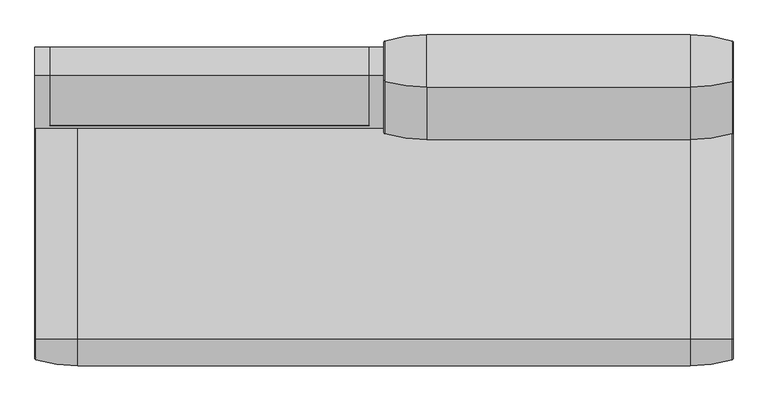
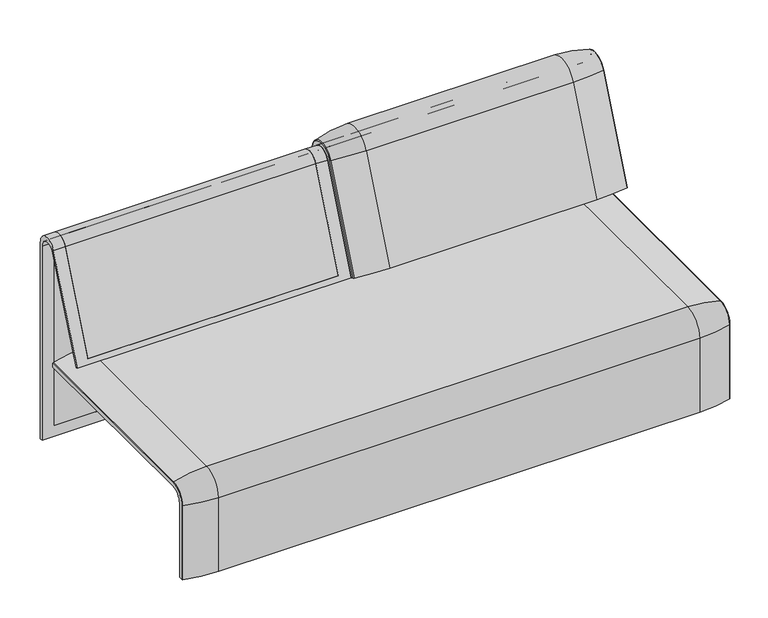
"""IFC4 building model written with IfcOpenShell, lengths in millimetres: furniture geometry."""

from ifc_helpers import new_model, si_unit, point, frame, frame_2d, origin, place, context, project, spatial, polyline, circle_curve, ellipse_curve, trimmed, segment, composite_curve, outline, extrude, source, transform, mapped, element, save
from ifc_brep_helpers import plane_surface, cylinder_surface, revolved_surface, advanced_brep


def furniture_ee9f15a7(model_context):
    return source(origin(), model_context, "Body", "SolidModel", [
        advanced_brep(
        [(-407.9906244, -368.7793679, 100.5089435), (-407.9906244, -357.5, 100.5089435), (1223.9718733, -357.5, 100.5089435), (1223.9718733, -368.7793679, 100.5089435), (1221.8332448, -371.6530483, 100.5089435), (1123.9718733, -386.0043559, 100.5089435), (-307.9906244, -386.0043559, 100.5089435), (-405.8519959, -371.6530483, 100.5089435), (-407.9906244, 295.0, 377.4518019), (-405.8519959, 295.0, 380.3254823), (-307.9906244, 295.0, 394.67679), (1123.9718733, 295.0, 394.67679), (1221.8332448, 295.0, 380.3254823), (1223.9718733, 295.0, 377.4518019), (1223.9718733, 295.0, 366.172434), (-407.9906244, 295.0, 366.172434), (-407.9906244, -368.7793679, 333.0583003), (-407.9906244, -324.3858663, 377.4518019), (-407.9906244, -324.3858663, 366.172434), (-407.9906244, -357.5, 333.0583003), (1223.9718733, -357.5, 333.0583003), (1123.9718733, -386.0043559, 333.0583003), (-307.9906244, -386.0043559, 333.0583003), (-405.8519959, -371.6530483, 333.0583003), (1223.9718733, -324.3858663, 366.172434), (-307.9906244, -324.3858663, 394.67679), (1123.9718733, -324.3858663, 394.67679), (-405.8519959, -324.3858663, 380.3254823), (1223.9718733, -324.3858663, 377.4518019), (1223.9718733, -368.7793679, 333.0583003), (1221.8332448, -371.6530483, 333.0583003), (1221.8332448, -324.3858663, 380.3254823)],
        [
            (0, 1),
            (1, 2),
            (2, 3),
            (3, 4, circle_curve(frame((1220.9718733, -368.7793679, 100.5089435), z_axis=(0.0, 0.0, -1.0), x_axis=(-1.0, 0.0, 0.0)), 3.0)),
            (4, 5, circle_curve(frame((1123.9718733, -45.1710226, 100.5089435), z_axis=(0.0, 0.0, -1.0), x_axis=(0.0, 1.0, 0.0)), 340.8333333)),
            (5, 6),
            (6, 7, circle_curve(frame((-307.9906244, -45.1710226, 100.5089435), z_axis=(0.0, 0.0, -1.0), x_axis=(0.0, 1.0, 0.0)), 340.8333333)),
            (7, 0, circle_curve(frame((-404.9906244, -368.7793679, 100.5089435), z_axis=(0.0, 0.0, -1.0), x_axis=(1.0, 0.0, 0.0)), 3.0)),
            (8, 9, circle_curve(frame((-404.9906244, 295.0, 377.4518019), z_axis=(0.0, 1.0, 0.0), x_axis=(1.0, 0.0, 0.0)), 3.0)),
            (9, 10, circle_curve(frame((-307.9906244, 295.0, 53.8434566), z_axis=(0.0, 1.0, 0.0), x_axis=(0.0, 0.0, -1.0)), 340.8333333)),
            (10, 11),
            (11, 12, circle_curve(frame((1123.9718733, 295.0, 53.8434566), z_axis=(0.0, 1.0, 0.0), x_axis=(0.0, 0.0, -1.0)), 340.8333333)),
            (12, 13, circle_curve(frame((1220.9718733, 295.0, 377.4518019), z_axis=(0.0, 1.0, 0.0), x_axis=(-1.0, 0.0, 0.0)), 3.0)),
            (13, 14),
            (14, 15),
            (15, 8),
            (0, 16),
            (16, 17, circle_curve(frame((-407.9906244, -324.3858663, 333.0583003), z_axis=(-1.0, 0.0, 0.0), x_axis=(0.0, -1.0, 0.0)), 44.3935016)),
            (17, 8),
            (15, 18),
            (18, 19, circle_curve(frame((-407.9906244, -324.3858663, 333.0583003), z_axis=(1.0, 0.0, 0.0), x_axis=(0.0, -1.0, 0.0)), 33.1141337)),
            (19, 1),
            (19, 20),
            (20, 2),
            (5, 21),
            (21, 22),
            (22, 6),
            (22, 23, circle_curve(frame((-307.9906244, -45.1710226, 333.0583003), z_axis=(0.0, 0.0, -1.0), x_axis=(0.0, 1.0, 0.0)), 340.8333333)),
            (23, 7),
            (23, 16, circle_curve(frame((-404.9906244, -368.7793679, 333.0583003), z_axis=(0.0, 0.0, -1.0), x_axis=(1.0, 0.0, 0.0)), 3.0)),
            (24, 20, circle_curve(frame((1223.9718733, -324.3858663, 333.0583003), z_axis=(1.0, 0.0, 0.0), x_axis=(0.0, -1.0, 0.0)), 33.1141337)),
            (18, 24),
            (25, 22, circle_curve(frame((-307.9906244, -324.3858663, 333.0583003), z_axis=(1.0, 0.0, 0.0), x_axis=(0.0, -1.0, 0.0)), 61.6184897)),
            (21, 26, circle_curve(frame((1123.9718733, -324.3858663, 333.0583003), z_axis=(-1.0, 0.0, 0.0), x_axis=(0.0, -1.0, 0.0)), 61.6184897)),
            (26, 25),
            (27, 23, circle_curve(frame((-405.8519959, -324.3858663, 333.0583003), z_axis=(1.0, 0.0, 0.0), x_axis=(0.0, -1.0, 0.0)), 47.267182)),
            (25, 27, circle_curve(frame((-307.9906244, -324.3858663, 53.8434566), z_axis=(0.0, -1.0, 0.0), x_axis=(0.0, 0.0, -1.0)), 340.8333333)),
            (27, 17, circle_curve(frame((-404.9906244, -324.3858663, 377.4518019), z_axis=(0.0, -1.0, 0.0), x_axis=(1.0, 0.0, 0.0)), 3.0)),
            (14, 24),
            (26, 11),
            (10, 25),
            (9, 27),
            (13, 28),
            (28, 29, circle_curve(frame((1223.9718733, -324.3858663, 333.0583003), z_axis=(1.0, 0.0, 0.0), x_axis=(0.0, -1.0, 0.0)), 44.3935016)),
            (29, 3),
            (29, 30, circle_curve(frame((1220.9718733, -368.7793679, 333.0583003), z_axis=(0.0, 0.0, -1.0), x_axis=(-1.0, 0.0, 0.0)), 3.0)),
            (30, 4),
            (30, 21, circle_curve(frame((1123.9718733, -45.1710226, 333.0583003), z_axis=(0.0, 0.0, -1.0), x_axis=(0.0, 1.0, 0.0)), 340.8333333)),
            (31, 30, circle_curve(frame((1221.8332448, -324.3858663, 333.0583003), z_axis=(1.0, 0.0, 0.0), x_axis=(0.0, -1.0, 0.0)), 47.267182)),
            (28, 31, circle_curve(frame((1220.9718733, -324.3858663, 377.4518019), z_axis=(0.0, -1.0, 0.0), x_axis=(-1.0, 0.0, 0.0)), 3.0)),
            (31, 26, circle_curve(frame((1123.9718733, -324.3858663, 53.8434566), z_axis=(0.0, -1.0, 0.0), x_axis=(0.0, 0.0, -1.0)), 340.8333333)),
            (12, 31),
        ],
        [
            plane_surface(frame((-407.9906244, -357.5, 100.5089435), z_axis=(0.0, 0.0, -1.0), x_axis=(1.0, 0.0, 0.0))),
            plane_surface(frame((-407.9906244, 295.0, 366.172434), z_axis=(0.0, 1.0, 0.0), x_axis=(1.0, 0.0, 0.0))),
            plane_surface(frame((-407.9906244, -368.7793679, 100.5089435), z_axis=(-1.0, 0.0, 0.0), x_axis=(0.0, 0.0, 1.0))),
            plane_surface(frame((-407.9906244, -357.5, 100.5089435), z_axis=(0.0, 1.0, 0.0), x_axis=(0.0, 0.0, 1.0))),
            plane_surface(frame((1123.9718733, -386.0043559, 100.5089435), z_axis=(0.0, -1.0, 0.0), x_axis=(0.0, 0.0, 1.0))),
            cylinder_surface(frame((-307.9906244, -45.1710226, 100.5089435), z_axis=(0.0, 0.0, -1.0), x_axis=(0.0, 1.0, 0.0)), 340.8333333),
            cylinder_surface(frame((-404.9906244, -368.7793679, 100.5089435), z_axis=(0.0, 0.0, -1.0), x_axis=(1.0, 0.0, 0.0)), 3.0),
            revolved_surface(polyline([(-407.9906244, -357.5, 333.0583003), (1223.9718733, -357.5, 333.0583003)]), (-407.9906244, -324.3858663, 333.0583003), (-1.0, 0.0, 0.0)),
            cylinder_surface(frame((-407.9906244, -324.3858663, 333.0583003), z_axis=(-1.0, 0.0, 0.0), x_axis=(0.0, -1.0, 0.0)), 61.6184897),
            revolved_surface(trimmed(ellipse_curve(frame((-307.9906244, -45.1710226, 333.0583003), z_axis=(0.0, 0.0, -1.0), x_axis=(0.0, 1.0, 0.0)), 340.8333333, 340.8333333), [point((-307.9906244, -386.0043559, 333.0583003))], [point((-405.8519959, -371.6530483, 333.0583003))], True, "CARTESIAN"), (-407.9906244, -324.3858663, 333.0583003), (-1.0, 0.0, 0.0)),
            revolved_surface(trimmed(ellipse_curve(frame((-404.9906244, -368.7793679, 333.0583003), z_axis=(0.0, 0.0, -1.0), x_axis=(1.0, 0.0, 0.0)), 3.0, 3.0), [point((-405.8519959, -371.6530483, 333.0583003))], [point((-407.9906244, -368.7793679, 333.0583003))], True, "CARTESIAN"), (-407.9906244, -324.3858663, 333.0583003), (-1.0, 0.0, 0.0)),
            plane_surface(frame((-407.9906244, -324.3858663, 366.172434), z_axis=(0.0, 0.0, -1.0), x_axis=(0.0, 1.0, 0.0))),
            plane_surface(frame((1123.9718733, -324.3858663, 394.67679), z_axis=(0.0, 0.0, 1.0), x_axis=(0.0, 1.0, 0.0))),
            cylinder_surface(frame((-307.9906244, -324.3858663, 53.8434566), z_axis=(0.0, -1.0, 0.0), x_axis=(0.0, 0.0, -1.0)), 340.8333333),
            cylinder_surface(frame((-404.9906244, -324.3858663, 377.4518019), z_axis=(0.0, -1.0, 0.0), x_axis=(1.0, 0.0, 0.0)), 3.0),
            plane_surface(frame((1223.9718733, -357.5, 100.5089435), z_axis=(1.0, 0.0, 0.0), x_axis=(0.0, 0.0, 1.0))),
            cylinder_surface(frame((1220.9718733, -368.7793679, 100.5089435), z_axis=(0.0, 0.0, -1.0), x_axis=(-1.0, 0.0, 0.0)), 3.0),
            cylinder_surface(frame((1123.9718733, -45.1710226, 100.5089435), z_axis=(0.0, 0.0, -1.0), x_axis=(0.0, 1.0, 0.0)), 340.8333333),
            revolved_surface(trimmed(ellipse_curve(frame((1220.9718733, -368.7793679, 333.0583003), z_axis=(0.0, 0.0, -1.0), x_axis=(-1.0, 0.0, 0.0)), 3.0, 3.0), [point((1223.9718733, -368.7793679, 333.0583003))], [point((1221.8332448, -371.6530483, 333.0583003))], True, "CARTESIAN"), (-407.9906244, -324.3858663, 333.0583003), (-1.0, 0.0, 0.0)),
            revolved_surface(trimmed(ellipse_curve(frame((1123.9718733, -45.1710226, 333.0583003), z_axis=(0.0, 0.0, -1.0), x_axis=(0.0, 1.0, 0.0)), 340.8333333, 340.8333333), [point((1221.8332448, -371.6530483, 333.0583003))], [point((1123.9718733, -386.0043559, 333.0583003))], True, "CARTESIAN"), (-407.9906244, -324.3858663, 333.0583003), (-1.0, 0.0, 0.0)),
            cylinder_surface(frame((1220.9718733, -324.3858663, 377.4518019), z_axis=(0.0, -1.0, 0.0), x_axis=(-1.0, 0.0, 0.0)), 3.0),
            cylinder_surface(frame((1123.9718733, -324.3858663, 53.8434566), z_axis=(0.0, -1.0, 0.0), x_axis=(0.0, 0.0, -1.0)), 340.8333333),
        ],
        [
            (0, [[1, 2, 3, 4, 5, 6, 7, 8]]),
            (1, [[9, 10, 11, 12, 13, 14, 15, 16]]),
            (2, [[-1, 17, 18, 19, -16, 20, 21, 22]]),
            (3, [[-2, -22, 23, 24]]),
            (4, [[-6, 25, 26, 27]]),
            (5, [[-7, -27, 28, 29]]),
            (6, [[-8, -29, 30, -17]]),
            (7, [[31, -23, -21, 32]]),
            (8, [[33, -26, 34, 35]]),
            (9, [[36, -28, -33, 37]]),
            (10, [[-18, -30, -36, 38]]),
            (11, [[-32, -20, -15, 39]]),
            (12, [[-35, 40, -11, 41]]),
            (13, [[-37, -41, -10, 42]]),
            (14, [[-38, -42, -9, -19]]),
            (15, [[-3, -24, -31, -39, -14, 43, 44, 45]]),
            (16, [[-4, -45, 46, 47]]),
            (17, [[-5, -47, 48, -25]]),
            (18, [[49, -46, -44, 50]]),
            (19, [[-34, -48, -49, 51]]),
            (20, [[-50, -43, -13, 52]]),
            (21, [[-51, -52, -12, -40]]),
        ],
    ),
        advanced_brep(
        [(1189.0718733, 176.0980387, 452.25948), (1189.0718733, 181.0136548, 450.2250668), (442.8906244, 181.0136548, 450.2250668), (442.8906244, 176.0980387, 452.25948), (1223.9884174, 351.0000061, 101.8476716), (1223.9884174, 351.0000061, 712.9272623), (1189.0718733, 351.0000061, 712.9272623), (1189.0718733, 351.0000061, 135.3766997), (442.8906244, 351.0000061, 135.3766997), (442.8906244, 351.0000061, 712.9272623), (408.0071685, 351.0000061, 712.9272623), (408.0071685, 351.0000061, 101.8476716), (1223.9884174, 359.7858817, 101.8476716), (1223.9884174, 359.7858817, 720.3417731), (1223.9884174, 292.4403877, 733.7122262), (1223.9884174, 170.1966807, 437.98305), (1223.9884174, 175.0204081, 435.9866665), (1223.9884174, 296.2458652, 723.9869215), (408.0071685, 296.2720241, 723.9759107), (408.0071685, 175.0204081, 435.9866665), (408.0071685, 170.1966807, 437.98305), (408.0071685, 292.4403877, 733.7122262), (408.0071685, 359.7858817, 720.3417731), (408.0071685, 359.7858817, 101.8476716), (1189.0718733, 292.4403877, 733.7122262), (442.8906244, 292.4403877, 733.7122262), (442.8906244, 296.2458652, 723.9869215), (1189.0718733, 296.2458652, 723.9869215), (442.8906244, 359.7858817, 720.3417731), (442.8906244, 359.7858817, 135.3766997), (1189.0718733, 359.7858817, 135.3766997), (1189.0718733, 359.7858817, 720.3417731)],
        [
            (0, 1),
            (1, 2),
            (2, 3),
            (3, 0),
            (4, 5),
            (5, 6),
            (6, 7),
            (7, 8),
            (8, 9),
            (9, 10),
            (10, 11),
            (11, 4),
            (4, 12),
            (12, 13),
            (13, 14, circle_curve(frame((1223.9884174, 324.7858817, 720.3417731), z_axis=(1.0, 0.0, 0.0), x_axis=(0.0, -1.0, 0.0)), 35.0)),
            (14, 15),
            (15, 16),
            (16, 17),
            (17, 5, circle_curve(frame((1223.9884174, 322.520748, 712.9272623), z_axis=(-1.0, 0.0, 0.0), x_axis=(0.0, -1.0, 0.0)), 28.479258)),
            (10, 18, circle_curve(frame((408.0071685, 322.520748, 712.9272623), z_axis=(1.0, 0.0, 0.0), x_axis=(0.0, -1.0, 0.0)), 28.479258)),
            (18, 19),
            (19, 20),
            (20, 21),
            (21, 22, circle_curve(frame((408.0071685, 324.7858817, 720.3417731), z_axis=(-1.0, 0.0, 0.0), x_axis=(0.0, -1.0, 0.0)), 35.0)),
            (22, 23),
            (23, 11),
            (14, 24),
            (24, 0),
            (3, 25),
            (25, 21),
            (20, 15),
            (19, 16),
            (18, 26),
            (26, 2),
            (1, 27),
            (27, 17),
            (23, 12),
            (22, 28),
            (28, 29),
            (29, 30),
            (30, 31),
            (31, 13),
            (31, 24, circle_curve(frame((1189.0718733, 324.7858817, 720.3417731), z_axis=(1.0, 0.0, 0.0), x_axis=(0.0, -1.0, 0.0)), 35.0)),
            (25, 28, circle_curve(frame((442.8906244, 324.7858817, 720.3417731), z_axis=(-1.0, 0.0, 0.0), x_axis=(0.0, -1.0, 0.0)), 35.0)),
            (27, 6, circle_curve(frame((1189.0718733, 322.520748, 712.9272623), z_axis=(-1.0, 0.0, 0.0), x_axis=(0.0, -1.0, 0.0)), 28.479258)),
            (9, 26, circle_curve(frame((442.8906244, 322.520748, 712.9272623), z_axis=(1.0, 0.0, 0.0), x_axis=(0.0, -1.0, 0.0)), 28.479258)),
            (30, 7),
            (8, 29),
        ],
        [
            plane_surface(frame((1189.0718733, 166.9120641, 456.0612553), z_axis=(0.0, 0.38241039441982605, 0.9239925812687422), x_axis=(-1.0, 0.0, 0.0))),
            plane_surface(frame((1223.9884174, 351.0000061, 712.9272623), z_axis=(0.0, -1.0, 0.0), x_axis=(-1.0, 0.0, 0.0))),
            plane_surface(frame((1223.9884174, 359.7858817, 101.8476716), z_axis=(1.0, 0.0, 0.0), x_axis=(0.0, 1.0, 0.0))),
            plane_surface(frame((408.0071685, 359.7858817, 101.8476716), z_axis=(-1.0, 0.0, 0.0), x_axis=(0.0, -1.0, 0.0))),
            plane_surface(frame((1223.9884174, 292.4403877, 733.7122262), z_axis=(0.0, -0.9241569717933176, 0.3820129467515535), x_axis=(-1.0, 0.0, 0.0))),
            plane_surface(frame((1223.9884174, 170.1966807, 437.98305), z_axis=(0.0, -0.38241039441983893, -0.9239925812687368), x_axis=(-1.0, 0.0, 0.0))),
            plane_surface(frame((1223.9884174, 175.0204081, 435.9866665), z_axis=(0.0, 0.921678643444566, -0.3879542218073993), x_axis=(-1.0, 0.0, 0.0))),
            plane_surface(frame((1223.9884174, 351.0000061, 101.8476716), z_axis=(0.0, 0.0, -1.0), x_axis=(-1.0, 0.0, 0.0))),
            plane_surface(frame((1223.9884174, 359.7858817, 101.8476716), z_axis=(0.0, 1.0, 0.0), x_axis=(-1.0, 0.0, 0.0))),
            cylinder_surface(frame((408.0071685, 324.7858817, 720.3417731), z_axis=(1.0, 0.0, 0.0), x_axis=(0.0, -1.0, 0.0)), 35.0),
            revolved_surface(polyline([(1189.0718733, 294.04149, 712.9272623), (1223.9884174, 294.04149, 712.9272623)]), (408.0071685, 322.520748, 712.9272623), (-1.0, 0.0, 0.0)),
            revolved_surface(polyline([(408.0071685, 294.04149, 712.9272623), (442.8906244, 294.04149, 712.9272623)]), (408.0071685, 322.520748, 712.9272623), (-1.0, 0.0, 0.0)),
            plane_surface(frame((1189.0718733, 359.7858817, 135.3766997), z_axis=(-1.0, 0.0, 0.0), x_axis=(0.0, 1.0, 0.0))),
            plane_surface(frame((442.8906244, 359.7858817, 135.3766997), z_axis=(1.0, 0.0, 0.0), x_axis=(0.0, -1.0, 0.0))),
            plane_surface(frame((1189.0718733, 344.7858817, 135.3766997), z_axis=(0.0, 0.0, 1.0), x_axis=(-1.0, 0.0, 0.0))),
        ],
        [
            (0, [[1, 2, 3, 4]]),
            (1, [[5, 6, 7, 8, 9, 10, 11, 12]]),
            (2, [[13, 14, 15, 16, 17, 18, 19, -5]]),
            (3, [[-11, 20, 21, 22, 23, 24, 25, 26]]),
            (4, [[-16, 27, 28, -4, 29, 30, -23, 31]]),
            (5, [[-17, -31, -22, 32]]),
            (6, [[-18, -32, -21, 33, 34, -2, 35, 36]]),
            (7, [[-13, -12, -26, 37]]),
            (8, [[-14, -37, -25, 38, 39, 40, 41, 42]]),
            (9, [[-15, -42, 43, -27]]),
            (9, [[-24, -30, 44, -38]]),
            (10, [[-19, -36, 45, -6]]),
            (11, [[-20, -10, 46, -33]]),
            (12, [[-1, -28, -43, -41, 47, -7, -45, -35]]),
            (13, [[48, -39, -44, -29, -3, -34, -46, -9]]),
            (14, [[-47, -40, -48, -8]]),
        ],
    ),
        advanced_brep(
        [(442.8906244, 351.0000061, 135.3766997), (442.8906244, 351.0000061, 712.9272623), (442.8906244, 296.2720241, 723.9759107), (442.8906244, 181.0136548, 450.2250668), (442.8906244, 176.0980387, 452.25948), (442.8906244, 292.4403877, 733.7122262), (442.8906244, 359.7858817, 720.3417731), (442.8906244, 359.7858817, 135.3766997), (1189.0718733, 176.0980387, 452.25948), (1189.0718733, 292.4403877, 733.7122262), (1189.0718733, 181.0136548, 450.2250668), (1189.0718733, 296.2458652, 723.9869215), (1189.0718733, 351.0000061, 135.3766997), (1189.0718733, 351.0000061, 712.9272623), (1189.0718733, 359.7858817, 135.3766997), (1189.0718733, 359.7858817, 720.3417731)],
        [
            (0, 1),
            (1, 2, circle_curve(frame((442.8906244, 322.520748, 712.9272623), z_axis=(1.0, 0.0, 0.0), x_axis=(0.0, -1.0, 0.0)), 28.479258)),
            (2, 3),
            (3, 4),
            (4, 5),
            (5, 6, circle_curve(frame((442.8906244, 324.7858817, 720.3417731), z_axis=(-1.0, 0.0, 0.0), x_axis=(0.0, -1.0, 0.0)), 35.0)),
            (6, 7),
            (7, 0),
            (8, 9),
            (9, 5),
            (4, 8),
            (10, 8),
            (3, 10),
            (11, 10),
            (2, 11),
            (12, 13),
            (13, 1),
            (0, 12),
            (12, 14),
            (14, 15),
            (15, 9, circle_curve(frame((1189.0718733, 324.7858817, 720.3417731), z_axis=(1.0, 0.0, 0.0), x_axis=(0.0, -1.0, 0.0)), 35.0)),
            (11, 13, circle_curve(frame((1189.0718733, 322.520748, 712.9272623), z_axis=(-1.0, 0.0, 0.0), x_axis=(0.0, -1.0, 0.0)), 28.479258)),
            (7, 14),
            (6, 15),
        ],
        [
            plane_surface(frame((442.8906244, 359.7858817, 135.3766997), z_axis=(-1.0, 0.0, 0.0), x_axis=(0.0, -1.0, 0.0))),
            plane_surface(frame((1189.0718733, 292.4403877, 733.7122262), z_axis=(0.0, -0.9241569717933176, 0.3820129467515535), x_axis=(-1.0, 0.0, 0.0))),
            plane_surface(frame((1189.0718733, 176.0980387, 452.25948), z_axis=(0.0, -0.38241039441982716, -0.9239925812687417), x_axis=(-1.0, 0.0, 0.0))),
            plane_surface(frame((1189.0718733, 181.0136548, 450.2250668), z_axis=(0.0, 0.921678643444566, -0.3879542218073993), x_axis=(-1.0, 0.0, 0.0))),
            plane_surface(frame((1189.0718733, 351.0000061, 712.9272623), z_axis=(0.0, -1.0, 0.0), x_axis=(-1.0, 0.0, 0.0))),
            plane_surface(frame((1189.0718733, 359.7858817, 135.3766997), z_axis=(1.0, 0.0, 0.0), x_axis=(0.0, 1.0, 0.0))),
            plane_surface(frame((1189.0718733, 351.0000061, 135.3766997), z_axis=(0.0, 0.0, -1.0), x_axis=(-1.0, 0.0, 0.0))),
            plane_surface(frame((1189.0718733, 359.7858817, 135.3766997), z_axis=(0.0, 1.0, 0.0), x_axis=(-1.0, 0.0, 0.0))),
            cylinder_surface(frame((442.8906244, 324.7858817, 720.3417731), z_axis=(1.0, 0.0, 0.0), x_axis=(0.0, -1.0, 0.0)), 35.0),
            revolved_surface(polyline([(442.8906244, 294.04149, 712.9272623), (1189.0718733, 294.04149, 712.9272623)]), (442.8906244, 322.520748, 712.9272623), (-1.0, 0.0, 0.0)),
        ],
        [
            (0, [[1, 2, 3, 4, 5, 6, 7, 8]]),
            (1, [[9, 10, -5, 11]]),
            (2, [[12, -11, -4, 13]]),
            (3, [[14, -13, -3, 15]]),
            (4, [[16, 17, -1, 18]]),
            (5, [[19, 20, 21, -9, -12, -14, 22, -16]]),
            (6, [[-19, -18, -8, 23]]),
            (7, [[-20, -23, -7, 24]]),
            (8, [[-21, -24, -6, -10]]),
            (9, [[-22, -15, -2, -17]]),
        ],
    ),
        extrude(outline(composite_curve([segment(trimmed(circle_curve(frame_2d((305.0000061, 379.9223263)), 30.0), [point((305.0000061, 349.9223263))], [point((335.0000061, 379.9223263))], True, "CARTESIAN"), True, "CONTINUOUS"), segment(polyline([(335.0000061, 379.9223263), (335.0000061, 515.0657595)]), True, "CONTINUOUS"), segment(trimmed(circle_curve(frame_2d((305.0000061, 515.0657595)), 30.0), [point((335.0000061, 515.0657595))], [point((316.7219399, 542.6809051))], True, "CARTESIAN"), True, "CONTINUOUS"), segment(polyline([(316.7219399, 542.6809051), (257.4911714, 567.8228747)]), True, "CONTINUOUS"), segment(trimmed(circle_curve(frame_2d((251.6302045, 554.0153019)), 15.0), [point((257.4911714, 567.8228747))], [point((238.0355877, 560.3545758))], True, "CARTESIAN"), True, "CONTINUOUS"), segment(polyline([(238.0355877, 560.3545758), (222.2725218, 526.5505721), (213.7507451, 529.5682915), (296.3054528, 724.0549949)]), True, "CONTINUOUS"), segment(trimmed(circle_curve(frame_2d((322.520748, 712.9272623)), 28.479258), [point((296.3054528, 724.0549949))], [point((351.0000061, 712.9272623))], False, "CARTESIAN"), True, "CONTINUOUS"), segment(polyline([(351.0000061, 712.9272623), (351.0000061, 197.0551771), (343.3075759, 197.0551771), (339.4064861, 271.492405)]), True, "CONTINUOUS"), segment(trimmed(circle_curve(frame_2d((309.4476, 269.9223263)), 30.0), [point((339.4064861, 271.492405))], [point((309.4476, 299.9223263))], True, "CARTESIAN"), True, "CONTINUOUS"), segment(polyline([(309.4476, 299.9223263), (270.0000061, 299.9223263), (270.0000061, 359.9223263), (275.0000061, 359.9223263)]), True, "CONTINUOUS"), segment(trimmed(circle_curve(frame_2d((285.0000061, 359.9223263)), 10.0), [point((275.0000061, 359.9223263))], [point((285.0000061, 349.9223263))], True, "CARTESIAN"), True, "CONTINUOUS"), segment(polyline([(285.0000061, 349.9223263), (305.0000061, 349.9223263)]), True, "CONTINUOUS")], self_intersect=False), holes=[composite_curve([segment(polyline([(337.5000061, 576.3274105), (337.5000061, 716.7072663)]), True, "CONTINUOUS"), segment(trimmed(circle_curve(frame_2d((322.5000061, 716.7072663)), 15.0), [point((337.5000061, 716.7072663))], [point((308.9053893, 723.0465402))], True, "CARTESIAN"), True, "CONTINUOUS"), segment(polyline([(308.9053893, 723.0465402), (253.6256191, 604.4986904)]), True, "CONTINUOUS"), segment(trimmed(circle_curve(frame_2d((271.7517748, 596.0463251)), 20.0), [point((253.6256191, 604.4986904))], [point((265.0756376, 577.1934953))], True, "CARTESIAN"), True, "CONTINUOUS"), segment(polyline([(265.0756376, 577.1934953), (314.1406626, 559.8186587)]), True, "CONTINUOUS"), segment(trimmed(circle_curve(frame_2d((319.9867182, 576.3274105)), 17.5132879), [point((314.1406626, 559.8186587))], [point((337.5000061, 576.3274105))], True, "CARTESIAN"), True, "CONTINUOUS")], self_intersect=False)]), frame((1060.9760457, 0.0, 0.0), z_axis=(1.0, 0.0, 0.0), x_axis=(0.0, 1.0, 0.0)), (0.0, 0.0, 1.0), 40.0),
        advanced_brep(
        [(1221.8497889, 373.93893, 100.5089435), (1123.9884174, 388.2902376, 100.5089435), (1123.9884174, 388.2902376, 720.3417731), (1221.8497889, 373.93893, 720.3417731), (407.9740803, 292.4403877, 733.7122262), (407.9740803, 359.7858817, 720.3417731), (1223.9884174, 359.7858817, 720.3417731), (1223.9884174, 292.4403877, 733.7122262), (507.9740803, 388.2902376, 100.5089435), (410.1127088, 373.93893, 100.5089435), (410.1127088, 373.93893, 720.3417731), (507.9740803, 388.2902376, 720.3417731), (410.1127088, 279.3607494, 739.1188739), (407.9740803, 282.0164812, 738.0210907), (407.9740803, 159.7723383, 442.2908598), (410.1127088, 157.1166065, 443.3886429), (507.9740803, 266.0978884, 744.6012592), (507.9740803, 143.8537454, 448.8710282), (1223.9884174, 371.0652495, 100.5089435), (1223.9884174, 359.7858817, 100.5089435), (407.9740803, 359.7858817, 100.5089435), (407.9740803, 371.0652495, 100.5089435), (1223.9884174, 371.0652495, 720.3417731), (1223.9884174, 282.0164812, 738.0210907), (1223.9884174, 159.7723383, 442.2908598), (1223.9884174, 170.1962447, 437.9819952), (1123.9884174, 143.8537454, 448.8710282), (407.9740803, 170.1962447, 437.9819952), (1221.8497889, 157.1166065, 443.3886429), (1123.9884174, 266.0978884, 744.6012592), (1221.8497889, 279.3607494, 739.1188739), (407.9740803, 371.0652495, 720.3417731)],
        [
            (0, 1, circle_curve(frame((1123.9884174, 47.4569043, 100.5089435), z_axis=(0.0, 0.0, 1.0), x_axis=(0.0, -1.0, 0.0)), 340.8333333)),
            (1, 2),
            (2, 3, circle_curve(frame((1123.9884174, 47.4569043, 720.3417731), z_axis=(0.0, 0.0, -1.0), x_axis=(0.0, -1.0, 0.0)), 340.8333333)),
            (3, 0),
            (4, 5, circle_curve(frame((407.9740803, 324.7858817, 720.3417731), z_axis=(-1.0, 0.0, 0.0), x_axis=(0.0, 1.0, 0.0)), 35.0)),
            (5, 6),
            (6, 7, circle_curve(frame((1223.9884174, 324.7858817, 720.3417731), z_axis=(1.0, 0.0, 0.0), x_axis=(0.0, 1.0, 0.0)), 35.0)),
            (7, 4),
            (8, 9, circle_curve(frame((507.9740803, 47.4569043, 100.5089435), z_axis=(0.0, 0.0, 1.0), x_axis=(0.0, -1.0, 0.0)), 340.8333333)),
            (9, 10),
            (10, 11, circle_curve(frame((507.9740803, 47.4569043, 720.3417731), z_axis=(0.0, 0.0, -1.0), x_axis=(0.0, -1.0, 0.0)), 340.8333333)),
            (11, 8),
            (12, 13, circle_curve(frame((410.9740803, 282.0164812, 738.0210907), z_axis=(0.0, -0.38201294675155345, -0.9241569717933176), x_axis=(-1.0, 0.0, 0.0)), 3.0)),
            (13, 14),
            (14, 15, circle_curve(frame((410.9740803, 159.7723383, 442.2908598), z_axis=(0.0, 0.38201294675155345, 0.9241569717933176), x_axis=(-1.0, 0.0, 0.0)), 3.0)),
            (15, 12),
            (16, 12, circle_curve(frame((507.9740803, 581.0813896, 614.3985132), z_axis=(0.0, -0.38201294675155345, -0.9241569717933176), x_axis=(0.0, 0.9241569717933176, -0.38201294675155345)), 340.8333333)),
            (15, 17, circle_curve(frame((507.9740803, 458.8372467, 318.6682822), z_axis=(0.0, 0.38201294675155345, 0.9241569717933176), x_axis=(0.0, 0.9241569717933176, -0.38201294675155345)), 340.8333333)),
            (17, 16),
            (0, 18, circle_curve(frame((1220.9884174, 371.0652495, 100.5089435), z_axis=(0.0, 0.0, -1.0), x_axis=(1.0, 0.0, 0.0)), 3.0)),
            (18, 19),
            (19, 20),
            (20, 21),
            (21, 9, circle_curve(frame((410.9740803, 371.0652495, 100.5089435), z_axis=(0.0, 0.0, -1.0), x_axis=(-1.0, 0.0, 0.0)), 3.0)),
            (8, 1),
            (11, 2),
            (3, 22, circle_curve(frame((1220.9884174, 371.0652495, 720.3417731), z_axis=(0.0, 0.0, -1.0), x_axis=(1.0, 0.0, 0.0)), 3.0)),
            (22, 18),
            (22, 23, circle_curve(frame((1223.9884174, 324.7858817, 720.3417731), z_axis=(1.0, 0.0, 0.0), x_axis=(0.0, 1.0, 0.0)), 46.2793679)),
            (23, 24),
            (24, 25),
            (25, 7),
            (6, 19),
            (5, 20),
            (26, 17),
            (14, 27),
            (27, 25),
            (24, 28, circle_curve(frame((1220.9884174, 159.7723383, 442.2908598), z_axis=(0.0, -0.38201294675155345, -0.9241569717933176), x_axis=(1.0, 0.0, 0.0)), 3.0)),
            (28, 26, circle_curve(frame((1123.9884174, 458.8372467, 318.6682822), z_axis=(0.0, -0.38201294675155345, -0.9241569717933176), x_axis=(0.0, 0.9241569717933176, -0.38201294675155345)), 340.8333333)),
            (29, 2, circle_curve(frame((1123.9884174, 324.7858817, 720.3417731), z_axis=(-1.0, 0.0, 0.0), x_axis=(0.0, 1.0, 0.0)), 63.5043559)),
            (11, 16, circle_curve(frame((507.9740803, 324.7858817, 720.3417731), z_axis=(1.0, 0.0, 0.0), x_axis=(0.0, 1.0, 0.0)), 63.5043559)),
            (16, 29),
            (30, 3, circle_curve(frame((1221.8497889, 324.7858817, 720.3417731), z_axis=(-1.0, 0.0, 0.0), x_axis=(0.0, 1.0, 0.0)), 49.1530483)),
            (29, 30, circle_curve(frame((1123.9884174, 581.0813896, 614.3985132), z_axis=(0.0, 0.382012946751556, 0.9241569717933165), x_axis=(0.0, 0.9241569717933165, -0.382012946751556)), 340.8333333)),
            (30, 23, circle_curve(frame((1220.9884174, 282.0164812, 738.0210907), z_axis=(0.0, 0.3820129467515552, 0.9241569717933168), x_axis=(1.0, 0.0, 0.0)), 3.0)),
            (26, 29),
            (28, 30),
            (27, 4),
            (13, 31, circle_curve(frame((407.9740803, 324.7858817, 720.3417731), z_axis=(-1.0, 0.0, 0.0), x_axis=(0.0, 1.0, 0.0)), 46.2793679)),
            (31, 21),
            (31, 10, circle_curve(frame((410.9740803, 371.0652495, 720.3417731), z_axis=(0.0, 0.0, -1.0), x_axis=(-1.0, 0.0, 0.0)), 3.0)),
            (12, 10, circle_curve(frame((410.1127088, 324.7858817, 720.3417731), z_axis=(-1.0, 0.0, 0.0), x_axis=(0.0, 1.0, 0.0)), 49.1530483)),
        ],
        [
            cylinder_surface(frame((1123.9884174, 47.4569043, 100.5089435), z_axis=(0.0, 0.0, -1.0), x_axis=(0.0, -1.0, 0.0)), 340.8333333),
            revolved_surface(polyline([(1223.9884174, 359.7858817, 720.3417731), (407.9740803, 359.7858817, 720.3417731)]), (820.7462721, 324.7858817, 720.3417731), (1.0, 0.0, 0.0)),
            cylinder_surface(frame((507.9740803, 47.4569043, 100.5089435), z_axis=(0.0, 0.0, -1.0), x_axis=(0.0, -1.0, 0.0)), 340.8333333),
            cylinder_surface(frame((410.9740803, 282.0164812, 738.0210907), z_axis=(0.0, 0.38201294675155345, 0.9241569717933176), x_axis=(-1.0, 0.0, 0.0)), 3.0),
            cylinder_surface(frame((507.9740803, 581.0813896, 614.3985132), z_axis=(0.0, 0.38201294675155345, 0.9241569717933176), x_axis=(0.0, 0.9241569717933176, -0.38201294675155345)), 340.8333333),
            plane_surface(frame((820.7462721, 359.7858817, 100.5089435), z_axis=(0.0, 0.0, -1.0), x_axis=(1.0, 0.0, 0.0))),
            plane_surface(frame((507.9740803, 388.2902376, 100.5089435), z_axis=(0.0, 1.0, 0.0), x_axis=(0.0, 0.0, 1.0))),
            cylinder_surface(frame((1220.9884174, 371.0652495, 100.5089435), z_axis=(0.0, 0.0, -1.0), x_axis=(1.0, 0.0, 0.0)), 3.0),
            plane_surface(frame((1223.9884174, 371.0652495, 100.5089435), z_axis=(1.0, 0.0, 0.0), x_axis=(0.0, 0.0, 1.0))),
            plane_surface(frame((1223.9884174, 359.7858817, 100.5089435), z_axis=(0.0, -1.0, 0.0), x_axis=(0.0, 0.0, 1.0))),
            plane_surface(frame((820.7462721, 170.1962447, 437.9819952), z_axis=(0.0, -0.38201294675155345, -0.9241569717933176), x_axis=(1.0, 0.0, 0.0))),
            cylinder_surface(frame((820.7462721, 324.7858817, 720.3417731), z_axis=(1.0, 0.0, 0.0), x_axis=(0.0, 1.0, 0.0)), 63.5043559),
            revolved_surface(trimmed(ellipse_curve(frame((1123.9884174, 47.4569043, 720.3417731), z_axis=(0.0, 0.0, -1.0), x_axis=(0.0, -1.0, 0.0)), 340.8333333, 340.8333333), [point((1123.9884174, 388.2902376, 720.3417731))], [point((1221.8497889, 373.93893, 720.3417731))], True, "CARTESIAN"), (820.7462721, 324.7858817, 720.3417731), (1.0, 0.0, 0.0)),
            revolved_surface(trimmed(ellipse_curve(frame((1220.9884174, 371.0652495, 720.3417731), z_axis=(0.0, 0.0, -1.0), x_axis=(1.0, 0.0, 0.0)), 3.0, 3.0), [point((1221.8497889, 373.93893, 720.3417731))], [point((1223.9884174, 371.0652495, 720.3417731))], True, "CARTESIAN"), (820.7462721, 324.7858817, 720.3417731), (1.0, 0.0, 0.0)),
            plane_surface(frame((507.9740803, 266.0978884, 744.6012592), z_axis=(0.0, -0.9241569717933176, 0.38201294675155356), x_axis=(0.0, -0.38201294675155356, -0.9241569717933176))),
            cylinder_surface(frame((1123.9884174, 581.0813896, 614.3985132), z_axis=(0.0, 0.38201294675155345, 0.9241569717933176), x_axis=(0.0, 0.9241569717933176, -0.38201294675155345)), 340.8333333),
            cylinder_surface(frame((1220.9884174, 282.0164812, 738.0210907), z_axis=(0.0, 0.38201294675155345, 0.9241569717933176), x_axis=(1.0, 0.0, 0.0)), 3.0),
            plane_surface(frame((1223.9884174, 292.4403877, 733.7122262), z_axis=(0.0, 0.9241569717933176, -0.38201294675155356), x_axis=(0.0, -0.38201294675155356, -0.9241569717933176))),
            plane_surface(frame((407.9740803, 359.7858817, 100.5089435), z_axis=(-1.0, 0.0, 0.0), x_axis=(0.0, 0.0, 1.0))),
            cylinder_surface(frame((410.9740803, 371.0652495, 100.5089435), z_axis=(0.0, 0.0, -1.0), x_axis=(-1.0, 0.0, 0.0)), 3.0),
            revolved_surface(trimmed(ellipse_curve(frame((410.9740803, 371.0652495, 720.3417731), z_axis=(0.0, 0.0, -1.0), x_axis=(-1.0, 0.0, 0.0)), 3.0, 3.0), [point((407.9740803, 371.0652495, 720.3417731))], [point((410.1127088, 373.93893, 720.3417731))], True, "CARTESIAN"), (820.7462721, 324.7858817, 720.3417731), (1.0, 0.0, 0.0)),
            revolved_surface(trimmed(ellipse_curve(frame((507.9740803, 47.4569043, 720.3417731), z_axis=(0.0, 0.0, -1.0), x_axis=(0.0, -1.0, 0.0)), 340.8333333, 340.8333333), [point((410.1127088, 373.93893, 720.3417731))], [point((507.9740803, 388.2902376, 720.3417731))], True, "CARTESIAN"), (820.7462721, 324.7858817, 720.3417731), (1.0, 0.0, 0.0)),
        ],
        [
            (0, [[1, 2, 3, 4]]),
            (1, [[5, 6, 7, 8]]),
            (2, [[9, 10, 11, 12]]),
            (3, [[13, 14, 15, 16]]),
            (4, [[17, -16, 18, 19]]),
            (5, [[-1, 20, 21, 22, 23, 24, -9, 25]]),
            (6, [[-25, -12, 26, -2]]),
            (7, [[-20, -4, 27, 28]]),
            (8, [[-21, -28, 29, 30, 31, 32, -7, 33]]),
            (9, [[-22, -33, -6, 34]]),
            (10, [[35, -18, -15, 36, 37, -31, 38, 39]]),
            (11, [[40, -26, 41, 42]]),
            (12, [[43, -3, -40, 44]]),
            (13, [[-29, -27, -43, 45]]),
            (14, [[-42, -19, -35, 46]]),
            (15, [[-44, -46, -39, 47]]),
            (16, [[-45, -47, -38, -30]]),
            (17, [[-8, -32, -37, 48]]),
            (18, [[-23, -34, -5, -48, -36, -14, 49, 50]]),
            (19, [[-24, -50, 51, -10]]),
            (20, [[52, -51, -49, -13]]),
            (21, [[-41, -11, -52, -17]]),
        ],
    ),
        extrude(outline(composite_curve([segment(trimmed(circle_curve(frame_2d((305.0000061, 379.9223263)), 30.0), [point((305.0000061, 349.9223263))], [point((335.0000061, 379.9223263))], True, "CARTESIAN"), True, "CONTINUOUS"), segment(polyline([(335.0000061, 379.9223263), (335.0000061, 515.0657595)]), True, "CONTINUOUS"), segment(trimmed(circle_curve(frame_2d((305.0000061, 515.0657595)), 30.0), [point((335.0000061, 515.0657595))], [point((316.7219399, 542.6809051))], True, "CARTESIAN"), True, "CONTINUOUS"), segment(polyline([(316.7219399, 542.6809051), (257.4911714, 567.8228747)]), True, "CONTINUOUS"), segment(trimmed(circle_curve(frame_2d((251.6302045, 554.0153019)), 15.0), [point((257.4911714, 567.8228747))], [point((238.0355877, 560.3545758))], True, "CARTESIAN"), True, "CONTINUOUS"), segment(polyline([(238.0355877, 560.3545758), (222.2725218, 526.5505721), (213.7507451, 529.5682915), (296.3054528, 724.0549949)]), True, "CONTINUOUS"), segment(trimmed(circle_curve(frame_2d((322.520748, 712.9272623)), 28.479258), [point((296.3054528, 724.0549949))], [point((351.0000061, 712.9272623))], False, "CARTESIAN"), True, "CONTINUOUS"), segment(polyline([(351.0000061, 712.9272623), (351.0000061, 197.0551771), (343.3075759, 197.0551771), (339.4064861, 271.492405)]), True, "CONTINUOUS"), segment(trimmed(circle_curve(frame_2d((309.4476, 269.9223263)), 30.0), [point((339.4064861, 271.492405))], [point((309.4476, 299.9223263))], True, "CARTESIAN"), True, "CONTINUOUS"), segment(polyline([(309.4476, 299.9223263), (270.0000061, 299.9223263), (270.0000061, 359.9223263), (275.0000061, 359.9223263)]), True, "CONTINUOUS"), segment(trimmed(circle_curve(frame_2d((285.0000061, 359.9223263)), 10.0), [point((275.0000061, 359.9223263))], [point((285.0000061, 349.9223263))], True, "CARTESIAN"), True, "CONTINUOUS"), segment(polyline([(285.0000061, 349.9223263), (305.0000061, 349.9223263)]), True, "CONTINUOUS")], self_intersect=False), holes=[composite_curve([segment(polyline([(337.5000061, 576.3274105), (337.5000061, 716.7072663)]), True, "CONTINUOUS"), segment(trimmed(circle_curve(frame_2d((322.5000061, 716.7072663)), 15.0), [point((337.5000061, 716.7072663))], [point((308.9053893, 723.0465402))], True, "CARTESIAN"), True, "CONTINUOUS"), segment(polyline([(308.9053893, 723.0465402), (253.6256191, 604.4986904)]), True, "CONTINUOUS"), segment(trimmed(circle_curve(frame_2d((271.7517748, 596.0463251)), 20.0), [point((253.6256191, 604.4986904))], [point((265.0756376, 577.1934953))], True, "CARTESIAN"), True, "CONTINUOUS"), segment(polyline([(265.0756376, 577.1934953), (314.1406626, 559.8186587)]), True, "CONTINUOUS"), segment(trimmed(circle_curve(frame_2d((319.9867182, 576.3274105)), 17.5132879), [point((314.1406626, 559.8186587))], [point((337.5000061, 576.3274105))], True, "CARTESIAN"), True, "CONTINUOUS")], self_intersect=False)]), frame((530.986452, 0.0, 0.0), z_axis=(1.0, 0.0, 0.0), x_axis=(0.0, 1.0, 0.0)), (0.0, 0.0, 1.0), 40.0),
        advanced_brep(
        [(373.0906244, 176.0980387, 452.25948), (373.0906244, 181.0136548, 450.2250668), (-373.0906244, 181.0136548, 450.2250668), (-373.0906244, 176.0980387, 452.25948), (408.0071685, 351.0000061, 101.8476716), (408.0071685, 351.0000061, 712.9272623), (373.0906244, 351.0000061, 712.9272623), (373.0906244, 351.0000061, 135.3766997), (-373.0906244, 351.0000061, 135.3766997), (-373.0906244, 351.0000061, 712.9272623), (-407.9740803, 351.0000061, 712.9272623), (-407.9740803, 351.0000061, 101.8476716), (408.0071685, 359.7858817, 101.8476716), (408.0071685, 359.7858817, 720.3417731), (408.0071685, 292.4403877, 733.7122262), (408.0071685, 170.1966807, 437.98305), (408.0071685, 175.0204081, 435.9866665), (408.0071685, 296.2458652, 723.9869215), (-407.9740803, 296.2720241, 723.9759107), (-407.9740803, 175.0204081, 435.9866665), (-407.9740803, 170.1966807, 437.98305), (-407.9740803, 292.4403877, 733.7122262), (-407.9740803, 359.7858817, 720.3417731), (-407.9740803, 359.7858817, 101.8476716), (373.0906244, 292.4403877, 733.7122262), (-373.0906244, 292.4403877, 733.7122262), (-373.0906244, 296.2458652, 723.9869215), (373.0906244, 296.2458652, 723.9869215), (-373.0906244, 359.7858817, 720.3417731), (-373.0906244, 359.7858817, 135.3766997), (373.0906244, 359.7858817, 135.3766997), (373.0906244, 359.7858817, 720.3417731)],
        [
            (0, 1),
            (1, 2),
            (2, 3),
            (3, 0),
            (4, 5),
            (5, 6),
            (6, 7),
            (7, 8),
            (8, 9),
            (9, 10),
            (10, 11),
            (11, 4),
            (4, 12),
            (12, 13),
            (13, 14, circle_curve(frame((408.0071685, 324.7858817, 720.3417731), z_axis=(1.0, 0.0, 0.0), x_axis=(0.0, -1.0, 0.0)), 35.0)),
            (14, 15),
            (15, 16),
            (16, 17),
            (17, 5, circle_curve(frame((408.0071685, 322.520748, 712.9272623), z_axis=(-1.0, 0.0, 0.0), x_axis=(0.0, -1.0, 0.0)), 28.479258)),
            (10, 18, circle_curve(frame((-407.9740803, 322.520748, 712.9272623), z_axis=(1.0, 0.0, 0.0), x_axis=(0.0, -1.0, 0.0)), 28.479258)),
            (18, 19),
            (19, 20),
            (20, 21),
            (21, 22, circle_curve(frame((-407.9740803, 324.7858817, 720.3417731), z_axis=(-1.0, 0.0, 0.0), x_axis=(0.0, -1.0, 0.0)), 35.0)),
            (22, 23),
            (23, 11),
            (14, 24),
            (24, 0),
            (3, 25),
            (25, 21),
            (20, 15),
            (19, 16),
            (18, 26),
            (26, 2),
            (1, 27),
            (27, 17),
            (23, 12),
            (22, 28),
            (28, 29),
            (29, 30),
            (30, 31),
            (31, 13),
            (31, 24, circle_curve(frame((373.0906244, 324.7858817, 720.3417731), z_axis=(1.0, 0.0, 0.0), x_axis=(0.0, -1.0, 0.0)), 35.0)),
            (25, 28, circle_curve(frame((-373.0906244, 324.7858817, 720.3417731), z_axis=(-1.0, 0.0, 0.0), x_axis=(0.0, -1.0, 0.0)), 35.0)),
            (27, 6, circle_curve(frame((373.0906244, 322.520748, 712.9272623), z_axis=(-1.0, 0.0, 0.0), x_axis=(0.0, -1.0, 0.0)), 28.479258)),
            (9, 26, circle_curve(frame((-373.0906244, 322.520748, 712.9272623), z_axis=(1.0, 0.0, 0.0), x_axis=(0.0, -1.0, 0.0)), 28.479258)),
            (30, 7),
            (8, 29),
        ],
        [
            plane_surface(frame((373.0906244, 166.9120641, 456.0612553), z_axis=(0.0, 0.38241039441982605, 0.9239925812687422), x_axis=(-1.0, 0.0, 0.0))),
            plane_surface(frame((408.0071685, 351.0000061, 712.9272623), z_axis=(0.0, -1.0, 0.0), x_axis=(-1.0, 0.0, 0.0))),
            plane_surface(frame((408.0071685, 359.7858817, 101.8476716), z_axis=(1.0, 0.0, 0.0), x_axis=(0.0, 1.0, 0.0))),
            plane_surface(frame((-407.9740803, 359.7858817, 101.8476716), z_axis=(-1.0, 0.0, 0.0), x_axis=(0.0, -1.0, 0.0))),
            plane_surface(frame((408.0071685, 292.4403877, 733.7122262), z_axis=(0.0, -0.9241569717933176, 0.3820129467515535), x_axis=(-1.0, 0.0, 0.0))),
            plane_surface(frame((408.0071685, 170.1966807, 437.98305), z_axis=(0.0, -0.38241039441983893, -0.9239925812687368), x_axis=(-1.0, 0.0, 0.0))),
            plane_surface(frame((408.0071685, 175.0204081, 435.9866665), z_axis=(0.0, 0.921678643444566, -0.3879542218073993), x_axis=(-1.0, 0.0, 0.0))),
            plane_surface(frame((408.0071685, 351.0000061, 101.8476716), z_axis=(0.0, 0.0, -1.0), x_axis=(-1.0, 0.0, 0.0))),
            plane_surface(frame((408.0071685, 359.7858817, 101.8476716), z_axis=(0.0, 1.0, 0.0), x_axis=(-1.0, 0.0, 0.0))),
            cylinder_surface(frame((-407.9740803, 324.7858817, 720.3417731), z_axis=(1.0, 0.0, 0.0), x_axis=(0.0, -1.0, 0.0)), 35.0),
            revolved_surface(polyline([(373.09062439999997, 294.04149, 712.9272623), (408.0071685, 294.04149, 712.9272623)]), (-407.9740803, 322.520748, 712.9272623), (-1.0, 0.0, 0.0)),
            revolved_surface(polyline([(-407.9740803, 294.04149, 712.9272623), (-373.0906244, 294.04149, 712.9272623)]), (-407.9740803, 322.520748, 712.9272623), (-1.0, 0.0, 0.0)),
            plane_surface(frame((373.0906244, 359.7858817, 135.3766997), z_axis=(-1.0, 0.0, 0.0), x_axis=(0.0, 1.0, 0.0))),
            plane_surface(frame((-373.0906244, 359.7858817, 135.3766997), z_axis=(1.0, 0.0, 0.0), x_axis=(0.0, -1.0, 0.0))),
            plane_surface(frame((373.0906244, 344.7858817, 135.3766997), z_axis=(0.0, 0.0, 1.0), x_axis=(-1.0, 0.0, 0.0))),
        ],
        [
            (0, [[1, 2, 3, 4]]),
            (1, [[5, 6, 7, 8, 9, 10, 11, 12]]),
            (2, [[13, 14, 15, 16, 17, 18, 19, -5]]),
            (3, [[-11, 20, 21, 22, 23, 24, 25, 26]]),
            (4, [[-16, 27, 28, -4, 29, 30, -23, 31]]),
            (5, [[-17, -31, -22, 32]]),
            (6, [[-18, -32, -21, 33, 34, -2, 35, 36]]),
            (7, [[-13, -12, -26, 37]]),
            (8, [[-14, -37, -25, 38, 39, 40, 41, 42]]),
            (9, [[-15, -42, 43, -27]]),
            (9, [[-24, -30, 44, -38]]),
            (10, [[-19, -36, 45, -6]]),
            (11, [[-20, -10, 46, -33]]),
            (12, [[-1, -28, -43, -41, 47, -7, -45, -35]]),
            (13, [[48, -39, -44, -29, -3, -34, -46, -9]]),
            (14, [[-47, -40, -48, -8]]),
        ],
    ),
        advanced_brep(
        [(-373.0906244, 351.0000061, 135.3766997), (-373.0906244, 351.0000061, 712.9272623), (-373.0906244, 296.2720241, 723.9759107), (-373.0906244, 181.0136548, 450.2250668), (-373.0906244, 176.0980387, 452.25948), (-373.0906244, 292.4403877, 733.7122262), (-373.0906244, 359.7858817, 720.3417731), (-373.0906244, 359.7858817, 135.3766997), (373.0906244, 176.0980387, 452.25948), (373.0906244, 292.4403877, 733.7122262), (373.0906244, 181.0136548, 450.2250668), (373.0906244, 296.2458652, 723.9869215), (373.0906244, 351.0000061, 135.3766997), (373.0906244, 351.0000061, 712.9272623), (373.0906244, 359.7858817, 135.3766997), (373.0906244, 359.7858817, 720.3417731)],
        [
            (0, 1),
            (1, 2, circle_curve(frame((-373.0906244, 322.520748, 712.9272623), z_axis=(1.0, 0.0, 0.0), x_axis=(0.0, -1.0, 0.0)), 28.479258)),
            (2, 3),
            (3, 4),
            (4, 5),
            (5, 6, circle_curve(frame((-373.0906244, 324.7858817, 720.3417731), z_axis=(-1.0, 0.0, 0.0), x_axis=(0.0, -1.0, 0.0)), 35.0)),
            (6, 7),
            (7, 0),
            (8, 9),
            (9, 5),
            (4, 8),
            (10, 8),
            (3, 10),
            (11, 10),
            (2, 11),
            (12, 13),
            (13, 1),
            (0, 12),
            (12, 14),
            (14, 15),
            (15, 9, circle_curve(frame((373.0906244, 324.7858817, 720.3417731), z_axis=(1.0, 0.0, 0.0), x_axis=(0.0, -1.0, 0.0)), 35.0)),
            (11, 13, circle_curve(frame((373.0906244, 322.520748, 712.9272623), z_axis=(-1.0, 0.0, 0.0), x_axis=(0.0, -1.0, 0.0)), 28.479258)),
            (7, 14),
            (6, 15),
        ],
        [
            plane_surface(frame((-373.0906244, 359.7858817, 135.3766997), z_axis=(-1.0, 0.0, 0.0), x_axis=(0.0, -1.0, 0.0))),
            plane_surface(frame((373.0906244, 292.4403877, 733.7122262), z_axis=(0.0, -0.9241569717933176, 0.3820129467515535), x_axis=(-1.0, 0.0, 0.0))),
            plane_surface(frame((373.0906244, 176.0980387, 452.25948), z_axis=(0.0, -0.38241039441982716, -0.9239925812687417), x_axis=(-1.0, 0.0, 0.0))),
            plane_surface(frame((373.0906244, 181.0136548, 450.2250668), z_axis=(0.0, 0.921678643444566, -0.3879542218073993), x_axis=(-1.0, 0.0, 0.0))),
            plane_surface(frame((373.0906244, 351.0000061, 712.9272623), z_axis=(0.0, -1.0, 0.0), x_axis=(-1.0, 0.0, 0.0))),
            plane_surface(frame((373.0906244, 359.7858817, 135.3766997), z_axis=(1.0, 0.0, 0.0), x_axis=(0.0, 1.0, 0.0))),
            plane_surface(frame((373.0906244, 351.0000061, 135.3766997), z_axis=(0.0, 0.0, -1.0), x_axis=(-1.0, 0.0, 0.0))),
            plane_surface(frame((373.0906244, 359.7858817, 135.3766997), z_axis=(0.0, 1.0, 0.0), x_axis=(-1.0, 0.0, 0.0))),
            cylinder_surface(frame((-373.0906244, 324.7858817, 720.3417731), z_axis=(1.0, 0.0, 0.0), x_axis=(0.0, -1.0, 0.0)), 35.0),
            revolved_surface(polyline([(-373.0906244, 294.04149, 712.9272623), (373.0906244, 294.04149, 712.9272623)]), (-373.0906244, 322.520748, 712.9272623), (-1.0, 0.0, 0.0)),
        ],
        [
            (0, [[1, 2, 3, 4, 5, 6, 7, 8]]),
            (1, [[9, 10, -5, 11]]),
            (2, [[12, -11, -4, 13]]),
            (3, [[14, -13, -3, 15]]),
            (4, [[16, 17, -1, 18]]),
            (5, [[19, 20, 21, -9, -12, -14, 22, -16]]),
            (6, [[-19, -18, -8, 23]]),
            (7, [[-20, -23, -7, 24]]),
            (8, [[-21, -24, -6, -10]]),
            (9, [[-22, -15, -2, -17]]),
        ],
    ),
        extrude(outline(composite_curve([segment(trimmed(circle_curve(frame_2d((305.0000061, 379.9223263)), 30.0), [point((305.0000061, 349.9223263))], [point((335.0000061, 379.9223263))], True, "CARTESIAN"), True, "CONTINUOUS"), segment(polyline([(335.0000061, 379.9223263), (335.0000061, 515.0657595)]), True, "CONTINUOUS"), segment(trimmed(circle_curve(frame_2d((305.0000061, 515.0657595)), 30.0), [point((335.0000061, 515.0657595))], [point((316.7219399, 542.6809051))], True, "CARTESIAN"), True, "CONTINUOUS"), segment(polyline([(316.7219399, 542.6809051), (257.4911714, 567.8228747)]), True, "CONTINUOUS"), segment(trimmed(circle_curve(frame_2d((251.6302045, 554.0153019)), 15.0), [point((257.4911714, 567.8228747))], [point((238.0355877, 560.3545758))], True, "CARTESIAN"), True, "CONTINUOUS"), segment(polyline([(238.0355877, 560.3545758), (222.2725218, 526.5505721), (213.7507451, 529.5682915), (296.3054528, 724.0549949)]), True, "CONTINUOUS"), segment(trimmed(circle_curve(frame_2d((322.520748, 712.9272623)), 28.479258), [point((296.3054528, 724.0549949))], [point((351.0000061, 712.9272623))], False, "CARTESIAN"), True, "CONTINUOUS"), segment(polyline([(351.0000061, 712.9272623), (351.0000061, 197.0551771), (343.3075759, 197.0551771), (339.4064861, 271.492405)]), True, "CONTINUOUS"), segment(trimmed(circle_curve(frame_2d((309.4476, 269.9223263)), 30.0), [point((339.4064861, 271.492405))], [point((309.4476, 299.9223263))], True, "CARTESIAN"), True, "CONTINUOUS"), segment(polyline([(309.4476, 299.9223263), (270.0000061, 299.9223263), (270.0000061, 359.9223263), (275.0000061, 359.9223263)]), True, "CONTINUOUS"), segment(trimmed(circle_curve(frame_2d((285.0000061, 359.9223263)), 10.0), [point((275.0000061, 359.9223263))], [point((285.0000061, 349.9223263))], True, "CARTESIAN"), True, "CONTINUOUS"), segment(polyline([(285.0000061, 349.9223263), (305.0000061, 349.9223263)]), True, "CONTINUOUS")], self_intersect=False), holes=[composite_curve([segment(polyline([(337.5000061, 576.3274105), (337.5000061, 716.7072663)]), True, "CONTINUOUS"), segment(trimmed(circle_curve(frame_2d((322.5000061, 716.7072663)), 15.0), [point((337.5000061, 716.7072663))], [point((308.9053893, 723.0465402))], True, "CARTESIAN"), True, "CONTINUOUS"), segment(polyline([(308.9053893, 723.0465402), (253.6256191, 604.4986904)]), True, "CONTINUOUS"), segment(trimmed(circle_curve(frame_2d((271.7517748, 596.0463251)), 20.0), [point((253.6256191, 604.4986904))], [point((265.0756376, 577.1934953))], True, "CARTESIAN"), True, "CONTINUOUS"), segment(polyline([(265.0756376, 577.1934953), (314.1406626, 559.8186587)]), True, "CONTINUOUS"), segment(trimmed(circle_curve(frame_2d((319.9867182, 576.3274105)), 17.5132879), [point((314.1406626, 559.8186587))], [point((337.5000061, 576.3274105))], True, "CARTESIAN"), True, "CONTINUOUS")], self_intersect=False)]), frame((244.9947968, 0.0, 0.0), z_axis=(1.0, 0.0, 0.0), x_axis=(0.0, 1.0, 0.0)), (0.0, 0.0, 1.0), 40.0),
    ])


if __name__ == "__main__":
    model = new_model("IFC4")
    model_context = context("Model", 3, world=origin())
    ifc_project = project(units=[si_unit("LENGTHUNIT", "METRE", prefix="MILLI")], contexts=[model_context])
    site = spatial("IfcSite", under=ifc_project)
    building = spatial("IfcBuilding", under=site)
    placement = place(None, origin())
    furniture_shape = furniture_ee9f15a7(model_context)
    element("IfcFurniture", 1, at=placement, inside=building, context=model_context, shape_type="MappedRepresentation", body=[
        mapped(furniture_shape, transform((0.0, 0.0, 0.0), x_axis=(1.0, 0.0, 0.0), y_axis=(0.0, 1.0, 0.0), z_axis=(0.0, 0.0, 1.0))),
    ])
    save(model, "model.ifc")
